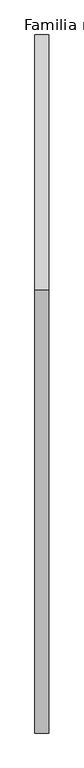
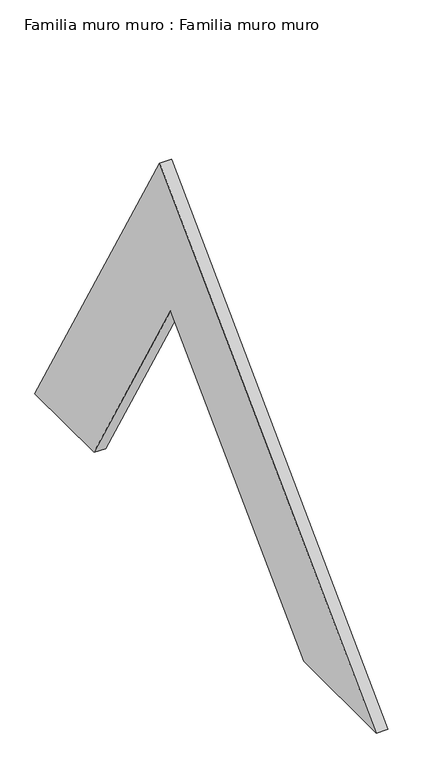
"""IFC4 building model written with IfcOpenShell, lengths in millimetres: plate geometry, Familia muro muro : Familia muro muro."""

from ifc_helpers import new_model, si_unit, frame, origin, place, context, project, spatial, polyline, outline, extrude, source, transform, mapped, element, save


def familia_muro_muro_familia_muro_muro_0d9ecdf8(model_context):
    return source(origin(), model_context, "Body", "SweptSolid", [
        extrude(outline(polyline([(-366.0254038, 633.9745962), (0.0, 0.0), (-173.2050808, 0.0), (-398.1873114, 389.6806543), (-787.8679656, 0.0), (-1000.0, 0.0), (-366.0254038, 633.9745962)])), frame((0.0, 0.0, 0.0), z_axis=(1.0, 0.0, 0.0), x_axis=(0.0, 1.0, 0.0)), (0.0, 0.0, 1.0), 20.0),
    ])


if __name__ == "__main__":
    model = new_model("IFC4")
    model_context = context("Model", 3, world=origin())
    ifc_project = project(units=[si_unit("LENGTHUNIT", "METRE", prefix="MILLI")], contexts=[model_context])
    site = spatial("IfcSite", under=ifc_project)
    building = spatial("IfcBuilding", under=site)
    placement = place(None, origin())
    familia_muro_muro_familia_muro_muro_shape = familia_muro_muro_familia_muro_muro_0d9ecdf8(model_context)
    element("IfcPlate", 1, ObjectType="Familia muro muro : Familia muro muro", at=placement, inside=building, context=model_context, shape_type="MappedRepresentation", body=[
        mapped(familia_muro_muro_familia_muro_muro_shape, transform((0.0, 0.0, 0.0), x_axis=(1.0, 0.0, 0.0), y_axis=(0.0, 1.0, 0.0), z_axis=(0.0, 0.0, 1.0))),
    ])
    save(model, "model.ifc")
